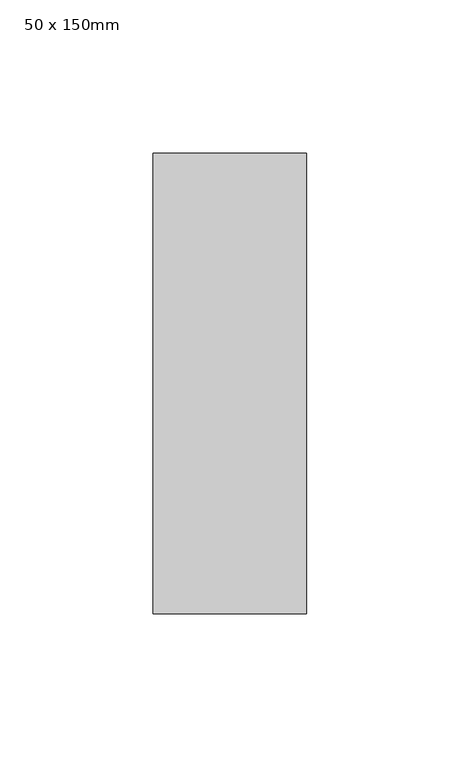
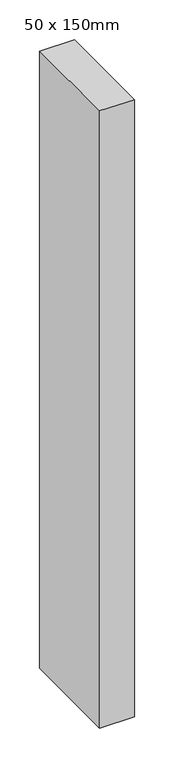
"""IFC4 building model written with IfcOpenShell, lengths in millimetres: member geometry, 50 x 150mm."""

import ifcopenshell
import ifcopenshell.guid

model = None  # the IFC model being written
_history = None  # IfcOwnerHistory: only IFC2X3 demands one
_inside = {}  # id of a spatial element -> (the spatial element, [elements in it])
_under = {}  # id of a project, library or spatial element -> (it, [spatial elements below it])
_declared = {}  # id of a project -> (the project, [libraries it declares])
_typed = {}  # id of a type object -> (the type object, [elements of that type])
_made_of = {}  # id of a material, layer set ... -> (it, [elements and type objects made of it])


def new_model(schema):
    """Start an empty IFC model of exactly this schema.

    Asked for "IFC4X3", IfcOpenShell would pick the latest addendum, in which some entities
    have other attributes; the version numbers below select the first issue.
    IFC2X3 requires an IfcOwnerHistory on every rooted entity: one is made here for all.
    """
    global model, _history
    if schema == "IFC4X3":
        model = ifcopenshell.file(schema_version=(4, 3, 0, 0))
    else:
        model = ifcopenshell.file(schema=schema)
    _inside.clear()
    _under.clear()
    _declared.clear()
    _typed.clear()
    _made_of.clear()
    _history = None
    if model.schema == "IFC2X3":
        org = make("IfcOrganization", Name="unknown")
        user = make(
            "IfcPersonAndOrganization",
            ThePerson=make("IfcPerson", FamilyName="unknown"),
            TheOrganization=org,
        )
        app = make(
            "IfcApplication",
            ApplicationDeveloper=org,
            Version="unknown",
            ApplicationFullName="unknown",
            ApplicationIdentifier="unknown",
        )
        _history = make(
            "IfcOwnerHistory",
            OwningUser=user,
            OwningApplication=app,
            ChangeAction="ADDED",
            CreationDate=0,
        )
    return model


def make(cls, **values):
    """One entity of the class cls with the attributes given. An attribute that is None is left unset."""
    return model.create_entity(
        cls, **{name: value for name, value in values.items() if value is not None}
    )


def rooted(cls, **values):
    """An entity with a GlobalId (a new one), such as an element, a storey or a relation."""
    return make(cls, GlobalId=ifcopenshell.guid.new(), OwnerHistory=_history, **values)


def si_unit(unit_type, name, prefix=None):
    """IfcSIUnit, for example si_unit("LENGTHUNIT", "METRE", prefix="MILLI")."""
    return make("IfcSIUnit", UnitType=unit_type, Prefix=prefix, Name=name)


def assignment(units):
    """IfcUnitAssignment: the units of a project."""
    return None if units is None else make("IfcUnitAssignment", Units=units)


def point(xyz):
    """IfcCartesianPoint."""
    return None if xyz is None else make("IfcCartesianPoint", Coordinates=xyz)


def direction(xyz):
    """IfcDirection."""
    return None if xyz is None else make("IfcDirection", DirectionRatios=xyz)


def frame(location, z_axis=None, x_axis=None):
    """IfcAxis2Placement3D, a coordinate frame: its origin and axes. An axis left out is left unset."""
    return make(
        "IfcAxis2Placement3D",
        Location=point(location),
        Axis=direction(z_axis),
        RefDirection=direction(x_axis),
    )


def origin():
    """The frame at (0, 0, 0) with its axes left unset."""
    return frame((0.0, 0.0, 0.0))


def place(relative_to, where):
    """IfcLocalPlacement: puts the frame where relative to a parent placement (None: the world)."""
    return make(
        "IfcLocalPlacement", PlacementRelTo=relative_to, RelativePlacement=where
    )


def context(
    kind, dimensions, precision=None, world=None, true_north=None, identifier=None
):
    """IfcGeometricRepresentationContext, for example the 3D "Model" context."""
    return make(
        "IfcGeometricRepresentationContext",
        ContextIdentifier=identifier,
        ContextType=kind,
        CoordinateSpaceDimension=dimensions,
        Precision=precision,
        WorldCoordinateSystem=world,
        TrueNorth=true_north,
    )


def project(units=None, contexts=None):
    """IfcProject with its units and contexts."""
    return rooted(
        "IfcProject",
        Name="project",
        RepresentationContexts=contexts,
        UnitsInContext=assignment(units),
    )


def spatial(cls, under=None, at=None, **own):
    """A site, building, storey or space (cls), placed at a placement, below another one or the project."""
    s = rooted(cls, ObjectPlacement=at, **own)
    if under is not None:
        _under.setdefault(under.id(), (under, []))[1].append(s)
    return s


def polyline(points):
    """IfcPolyline through the points."""
    return make("IfcPolyline", Points=[point(p) for p in points])


def outline(outer, holes=None, kind="AREA"):
    """IfcArbitraryClosedProfileDef: a profile drawn as a closed curve; with holes, ...WithVoids."""
    if holes is None:
        return make("IfcArbitraryClosedProfileDef", ProfileType=kind, OuterCurve=outer)
    return make(
        "IfcArbitraryProfileDefWithVoids",
        ProfileType=kind,
        OuterCurve=outer,
        InnerCurves=holes,
    )


def extrude(swept, where, along, depth):
    """IfcExtrudedAreaSolid: the profile swept, set in the frame where, extruded along a direction by depth."""
    return make(
        "IfcExtrudedAreaSolid",
        SweptArea=swept,
        Position=where,
        ExtrudedDirection=direction(along),
        Depth=depth,
    )


def shape(context_of_items, identifier, shape_type, items):
    """IfcShapeRepresentation: the items that make up one representation, for example the "Body"."""
    return make(
        "IfcShapeRepresentation",
        ContextOfItems=context_of_items,
        RepresentationIdentifier=identifier,
        RepresentationType=shape_type,
        Items=items,
    )


def source(mapping_origin, context_of_items, identifier, shape_type, items):
    """IfcRepresentationMap: a shape defined once, which mapped items show again and again."""
    return make(
        "IfcRepresentationMap",
        MappingOrigin=mapping_origin,
        MappedRepresentation=shape(context_of_items, identifier, shape_type, items),
    )


def transform(
    local_origin,
    x_axis=None,
    y_axis=None,
    z_axis=None,
    scale=None,
    scale2=None,
    scale3=None,
    uniform=True,
):
    """IfcCartesianTransformationOperator3D, or its non-uniform kind. x_axis, y_axis, z_axis: its Axis1, 2, 3."""
    if uniform:
        return make(
            "IfcCartesianTransformationOperator3D",
            Axis1=direction(x_axis),
            Axis2=direction(y_axis),
            LocalOrigin=point(local_origin),
            Scale=scale,
            Axis3=direction(z_axis),
        )
    return make(
        "IfcCartesianTransformationOperator3DnonUniform",
        Axis1=direction(x_axis),
        Axis2=direction(y_axis),
        LocalOrigin=point(local_origin),
        Scale=scale,
        Axis3=direction(z_axis),
        Scale2=scale2,
        Scale3=scale3,
    )


def mapped(mapping_source, mapping_target):
    """IfcMappedItem: shows the shape of a source again, moved by a transform."""
    return make(
        "IfcMappedItem", MappingSource=mapping_source, MappingTarget=mapping_target
    )


def made_of(thing, what):
    """Note that an element or type object is made of a material, layer set ...; save() writes the relation."""
    if what is not None:
        _made_of.setdefault(what.id(), (what, []))[1].append(thing)
    return thing


def element(
    cls,
    number,
    at=None,
    inside=None,
    cuts=None,
    type_object=None,
    material=None,
    context=None,
    identifier="Body",
    shape_type=None,
    held_by="IfcProductDefinitionShape",
    body=None,
    shapes=None,
    **own,
):
    """One element of the class cls, such as IfcWall. Its Tag is "e" and its number.

    at: its placement. inside: the storey or other place that contains it. cuts: it is an
    opening in that element (IfcRelVoidsElement). A single representation is given by context,
    identifier, shape_type and body (its items); several are given by shapes. held_by: the class
    of the entity that holds the representations. save() writes the other relations.
    """
    e = rooted(cls, Tag="e%d" % number, ObjectPlacement=at, **own)
    if body is not None:
        shapes = [shape(context, identifier, shape_type, body)]
    if shapes is not None:
        e.Representation = make(held_by, Representations=shapes)
    if inside is not None:
        _inside.setdefault(inside.id(), (inside, []))[1].append(e)
    if cuts is not None:
        rooted(
            "IfcRelVoidsElement", RelatingBuildingElement=cuts, RelatedOpeningElement=e
        )
    if type_object is not None:
        _typed.setdefault(type_object.id(), (type_object, []))[1].append(e)
    return made_of(e, material)


def aggregate(whole, parts):
    """IfcRelAggregates: a whole, such as a stair, and the parts it consists of."""
    return rooted("IfcRelAggregates", RelatingObject=whole, RelatedObjects=parts)


def save(model, path):
    """Write the relations noted so far, then the file.

    IfcRelAggregates (storeys below a building ...), IfcRelContainedInSpatialStructure (elements
    in a storey), IfcRelDefinesByType, IfcRelAssociatesMaterial and IfcRelDeclares: one each for
    every whole, place, type object, material and project.
    """
    for whole, parts in _under.values():
        aggregate(whole, parts)
    for where, things in _inside.values():
        rooted(
            "IfcRelContainedInSpatialStructure",
            RelatedElements=things,
            RelatingStructure=where,
        )
    for kind, things in _typed.values():
        rooted("IfcRelDefinesByType", RelatedObjects=things, RelatingType=kind)
    for what, things in _made_of.values():
        rooted("IfcRelAssociatesMaterial", RelatedObjects=things, RelatingMaterial=what)
    for by, libraries in _declared.values():
        rooted("IfcRelDeclares", RelatingContext=by, RelatedDefinitions=libraries)
    model.write(path)


def member_50_x_150mm_73bc8ec4(model_context):
    return source(origin(), model_context, "Body", "SweptSolid", [
        extrude(outline(polyline([(0.0, 75.0), (0.0, -75.0), (-50.0, -75.0), (-50.0, 75.0), (0.0, 75.0)])), frame((0.0, 0.0, -942.4013399), z_axis=(0.0, 0.0, 1.0), x_axis=(1.0, 0.0, 0.0)), (0.0, 0.0, 1.0), 942.4013399),
    ])


if __name__ == "__main__":
    model = new_model("IFC4")
    model_context = context("Model", 3, world=origin())
    ifc_project = project(units=[si_unit("LENGTHUNIT", "METRE", prefix="MILLI")], contexts=[model_context])
    site = spatial("IfcSite", under=ifc_project)
    building = spatial("IfcBuilding", under=site)
    placement = place(None, origin())
    member_50_x_150mm_shape = member_50_x_150mm_73bc8ec4(model_context)
    element("IfcMember", 1, ObjectType="50 x 150mm", at=placement, inside=building, context=model_context, shape_type="MappedRepresentation", body=[
        mapped(member_50_x_150mm_shape, transform((0.0, 0.0, 0.0), x_axis=(1.0, 0.0, 0.0), y_axis=(0.0, 1.0, 0.0), z_axis=(0.0, 0.0, 1.0))),
    ])
    save(model, "model.ifc")
